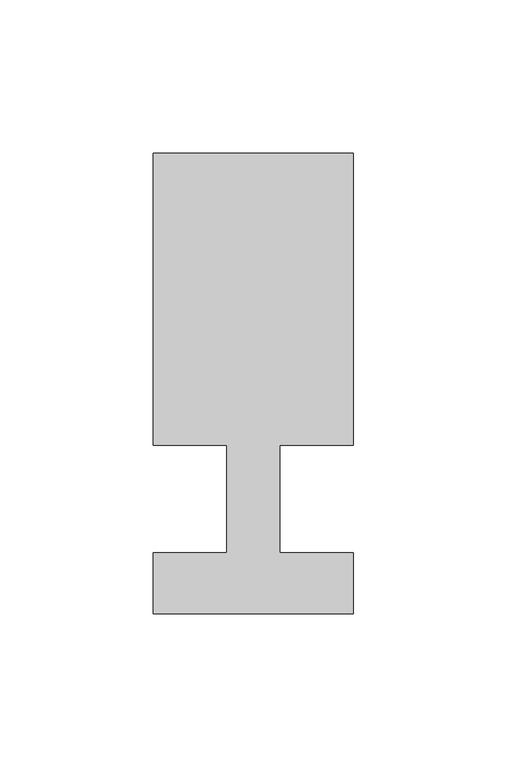
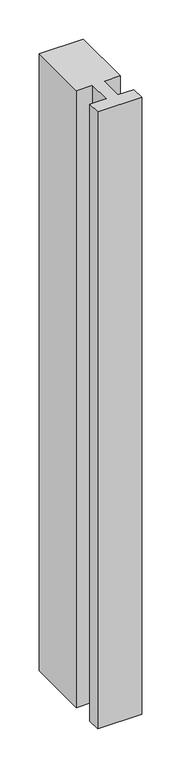
"""IFC4 building model written with IfcOpenShell, lengths in millimetres: member geometry."""

from ifc_helpers import new_model, si_unit, frame, origin, place, context, project, spatial, polyline, outline, extrude, source, transform, mapped, element, save


def member_2c6b0337(model_context):
    return source(origin(), model_context, "Body", "SweptSolid", [
        extrude(outline(polyline([(0.0, -37.0), (-65.0, -37.0), (-65.0, -17.0), (-41.1875, -17.0), (-41.1875, 18.0), (-65.0, 18.0), (-65.0, 113.0), (0.0, 113.0), (0.0, 18.0), (-23.8125, 18.0), (-23.8125, -17.0), (0.0, -17.0), (0.0, -37.0)])), frame((0.0, 0.0, -963.5714286), z_axis=(0.0, 0.0, 1.0), x_axis=(1.0, 0.0, 0.0)), (0.0, 0.0, 1.0), 963.5714286),
    ])


if __name__ == "__main__":
    model = new_model("IFC4")
    model_context = context("Model", 3, world=origin())
    ifc_project = project(units=[si_unit("LENGTHUNIT", "METRE", prefix="MILLI")], contexts=[model_context])
    site = spatial("IfcSite", under=ifc_project)
    building = spatial("IfcBuilding", under=site)
    placement = place(None, origin())
    member_shape = member_2c6b0337(model_context)
    element("IfcMember", 1, at=placement, inside=building, context=model_context, shape_type="MappedRepresentation", body=[
        mapped(member_shape, transform((0.0, 0.0, 0.0), x_axis=(1.0, 0.0, 0.0), y_axis=(0.0, 1.0, 0.0), z_axis=(0.0, 0.0, 1.0))),
    ])
    save(model, "model.ifc")
